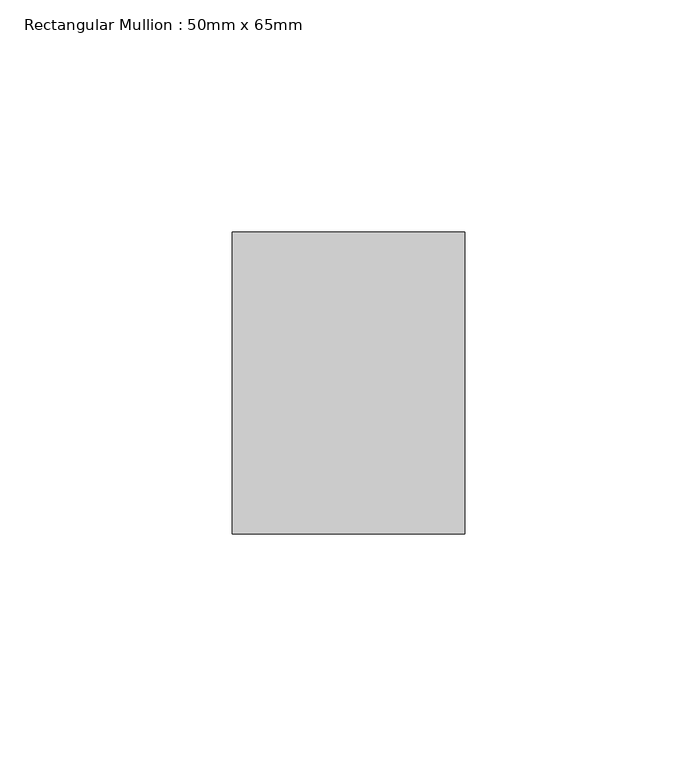
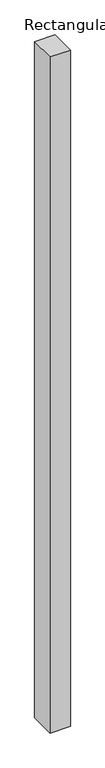
"""IFC4 building model written with IfcOpenShell, lengths in millimetres: member geometry, Rectangular Mullion : 50mm x 65mm."""

import ifcopenshell
import ifcopenshell.guid

model = None  # the IFC model being written
_history = None  # IfcOwnerHistory: only IFC2X3 demands one
_inside = {}  # id of a spatial element -> (the spatial element, [elements in it])
_under = {}  # id of a project, library or spatial element -> (it, [spatial elements below it])
_declared = {}  # id of a project -> (the project, [libraries it declares])
_typed = {}  # id of a type object -> (the type object, [elements of that type])
_made_of = {}  # id of a material, layer set ... -> (it, [elements and type objects made of it])


def new_model(schema):
    """Start an empty IFC model of exactly this schema.

    Asked for "IFC4X3", IfcOpenShell would pick the latest addendum, in which some entities
    have other attributes; the version numbers below select the first issue.
    IFC2X3 requires an IfcOwnerHistory on every rooted entity: one is made here for all.
    """
    global model, _history
    if schema == "IFC4X3":
        model = ifcopenshell.file(schema_version=(4, 3, 0, 0))
    else:
        model = ifcopenshell.file(schema=schema)
    _inside.clear()
    _under.clear()
    _declared.clear()
    _typed.clear()
    _made_of.clear()
    _history = None
    if model.schema == "IFC2X3":
        org = make("IfcOrganization", Name="unknown")
        user = make(
            "IfcPersonAndOrganization",
            ThePerson=make("IfcPerson", FamilyName="unknown"),
            TheOrganization=org,
        )
        app = make(
            "IfcApplication",
            ApplicationDeveloper=org,
            Version="unknown",
            ApplicationFullName="unknown",
            ApplicationIdentifier="unknown",
        )
        _history = make(
            "IfcOwnerHistory",
            OwningUser=user,
            OwningApplication=app,
            ChangeAction="ADDED",
            CreationDate=0,
        )
    return model


def make(cls, **values):
    """One entity of the class cls with the attributes given. An attribute that is None is left unset."""
    return model.create_entity(
        cls, **{name: value for name, value in values.items() if value is not None}
    )


def rooted(cls, **values):
    """An entity with a GlobalId (a new one), such as an element, a storey or a relation."""
    return make(cls, GlobalId=ifcopenshell.guid.new(), OwnerHistory=_history, **values)


def si_unit(unit_type, name, prefix=None):
    """IfcSIUnit, for example si_unit("LENGTHUNIT", "METRE", prefix="MILLI")."""
    return make("IfcSIUnit", UnitType=unit_type, Prefix=prefix, Name=name)


def assignment(units):
    """IfcUnitAssignment: the units of a project."""
    return None if units is None else make("IfcUnitAssignment", Units=units)


def point(xyz):
    """IfcCartesianPoint."""
    return None if xyz is None else make("IfcCartesianPoint", Coordinates=xyz)


def direction(xyz):
    """IfcDirection."""
    return None if xyz is None else make("IfcDirection", DirectionRatios=xyz)


def frame(location, z_axis=None, x_axis=None):
    """IfcAxis2Placement3D, a coordinate frame: its origin and axes. An axis left out is left unset."""
    return make(
        "IfcAxis2Placement3D",
        Location=point(location),
        Axis=direction(z_axis),
        RefDirection=direction(x_axis),
    )


def origin():
    """The frame at (0, 0, 0) with its axes left unset."""
    return frame((0.0, 0.0, 0.0))


def place(relative_to, where):
    """IfcLocalPlacement: puts the frame where relative to a parent placement (None: the world)."""
    return make(
        "IfcLocalPlacement", PlacementRelTo=relative_to, RelativePlacement=where
    )


def context(
    kind, dimensions, precision=None, world=None, true_north=None, identifier=None
):
    """IfcGeometricRepresentationContext, for example the 3D "Model" context."""
    return make(
        "IfcGeometricRepresentationContext",
        ContextIdentifier=identifier,
        ContextType=kind,
        CoordinateSpaceDimension=dimensions,
        Precision=precision,
        WorldCoordinateSystem=world,
        TrueNorth=true_north,
    )


def project(units=None, contexts=None):
    """IfcProject with its units and contexts."""
    return rooted(
        "IfcProject",
        Name="project",
        RepresentationContexts=contexts,
        UnitsInContext=assignment(units),
    )


def spatial(cls, under=None, at=None, **own):
    """A site, building, storey or space (cls), placed at a placement, below another one or the project."""
    s = rooted(cls, ObjectPlacement=at, **own)
    if under is not None:
        _under.setdefault(under.id(), (under, []))[1].append(s)
    return s


def polyline(points):
    """IfcPolyline through the points."""
    return make("IfcPolyline", Points=[point(p) for p in points])


def outline(outer, holes=None, kind="AREA"):
    """IfcArbitraryClosedProfileDef: a profile drawn as a closed curve; with holes, ...WithVoids."""
    if holes is None:
        return make("IfcArbitraryClosedProfileDef", ProfileType=kind, OuterCurve=outer)
    return make(
        "IfcArbitraryProfileDefWithVoids",
        ProfileType=kind,
        OuterCurve=outer,
        InnerCurves=holes,
    )


def extrude(swept, where, along, depth):
    """IfcExtrudedAreaSolid: the profile swept, set in the frame where, extruded along a direction by depth."""
    return make(
        "IfcExtrudedAreaSolid",
        SweptArea=swept,
        Position=where,
        ExtrudedDirection=direction(along),
        Depth=depth,
    )


def shape(context_of_items, identifier, shape_type, items):
    """IfcShapeRepresentation: the items that make up one representation, for example the "Body"."""
    return make(
        "IfcShapeRepresentation",
        ContextOfItems=context_of_items,
        RepresentationIdentifier=identifier,
        RepresentationType=shape_type,
        Items=items,
    )


def source(mapping_origin, context_of_items, identifier, shape_type, items):
    """IfcRepresentationMap: a shape defined once, which mapped items show again and again."""
    return make(
        "IfcRepresentationMap",
        MappingOrigin=mapping_origin,
        MappedRepresentation=shape(context_of_items, identifier, shape_type, items),
    )


def transform(
    local_origin,
    x_axis=None,
    y_axis=None,
    z_axis=None,
    scale=None,
    scale2=None,
    scale3=None,
    uniform=True,
):
    """IfcCartesianTransformationOperator3D, or its non-uniform kind. x_axis, y_axis, z_axis: its Axis1, 2, 3."""
    if uniform:
        return make(
            "IfcCartesianTransformationOperator3D",
            Axis1=direction(x_axis),
            Axis2=direction(y_axis),
            LocalOrigin=point(local_origin),
            Scale=scale,
            Axis3=direction(z_axis),
        )
    return make(
        "IfcCartesianTransformationOperator3DnonUniform",
        Axis1=direction(x_axis),
        Axis2=direction(y_axis),
        LocalOrigin=point(local_origin),
        Scale=scale,
        Axis3=direction(z_axis),
        Scale2=scale2,
        Scale3=scale3,
    )


def mapped(mapping_source, mapping_target):
    """IfcMappedItem: shows the shape of a source again, moved by a transform."""
    return make(
        "IfcMappedItem", MappingSource=mapping_source, MappingTarget=mapping_target
    )


def made_of(thing, what):
    """Note that an element or type object is made of a material, layer set ...; save() writes the relation."""
    if what is not None:
        _made_of.setdefault(what.id(), (what, []))[1].append(thing)
    return thing


def element(
    cls,
    number,
    at=None,
    inside=None,
    cuts=None,
    type_object=None,
    material=None,
    context=None,
    identifier="Body",
    shape_type=None,
    held_by="IfcProductDefinitionShape",
    body=None,
    shapes=None,
    **own,
):
    """One element of the class cls, such as IfcWall. Its Tag is "e" and its number.

    at: its placement. inside: the storey or other place that contains it. cuts: it is an
    opening in that element (IfcRelVoidsElement). A single representation is given by context,
    identifier, shape_type and body (its items); several are given by shapes. held_by: the class
    of the entity that holds the representations. save() writes the other relations.
    """
    e = rooted(cls, Tag="e%d" % number, ObjectPlacement=at, **own)
    if body is not None:
        shapes = [shape(context, identifier, shape_type, body)]
    if shapes is not None:
        e.Representation = make(held_by, Representations=shapes)
    if inside is not None:
        _inside.setdefault(inside.id(), (inside, []))[1].append(e)
    if cuts is not None:
        rooted(
            "IfcRelVoidsElement", RelatingBuildingElement=cuts, RelatedOpeningElement=e
        )
    if type_object is not None:
        _typed.setdefault(type_object.id(), (type_object, []))[1].append(e)
    return made_of(e, material)


def aggregate(whole, parts):
    """IfcRelAggregates: a whole, such as a stair, and the parts it consists of."""
    return rooted("IfcRelAggregates", RelatingObject=whole, RelatedObjects=parts)


def save(model, path):
    """Write the relations noted so far, then the file.

    IfcRelAggregates (storeys below a building ...), IfcRelContainedInSpatialStructure (elements
    in a storey), IfcRelDefinesByType, IfcRelAssociatesMaterial and IfcRelDeclares: one each for
    every whole, place, type object, material and project.
    """
    for whole, parts in _under.values():
        aggregate(whole, parts)
    for where, things in _inside.values():
        rooted(
            "IfcRelContainedInSpatialStructure",
            RelatedElements=things,
            RelatingStructure=where,
        )
    for kind, things in _typed.values():
        rooted("IfcRelDefinesByType", RelatedObjects=things, RelatingType=kind)
    for what, things in _made_of.values():
        rooted("IfcRelAssociatesMaterial", RelatedObjects=things, RelatingMaterial=what)
    for by, libraries in _declared.values():
        rooted("IfcRelDeclares", RelatingContext=by, RelatedDefinitions=libraries)
    model.write(path)


def rectangular_mullion_50mm_x_65mm_29dfa075(model_context):
    return source(origin(), model_context, "Body", "SweptSolid", [
        extrude(outline(polyline([(25.0, 32.5), (25.0, -32.5), (-25.0, -32.5), (-25.0, 32.5), (25.0, 32.5)])), frame((0.0, 0.0, -1754.4950629), z_axis=(0.0, 0.0, 1.0), x_axis=(1.0, 0.0, 0.0)), (0.0, 0.0, 1.0), 1754.4950629),
    ])


if __name__ == "__main__":
    model = new_model("IFC4")
    model_context = context("Model", 3, world=origin())
    ifc_project = project(units=[si_unit("LENGTHUNIT", "METRE", prefix="MILLI")], contexts=[model_context])
    site = spatial("IfcSite", under=ifc_project)
    building = spatial("IfcBuilding", under=site)
    placement = place(None, origin())
    rectangular_mullion_50mm_x_65mm_shape = rectangular_mullion_50mm_x_65mm_29dfa075(model_context)
    element("IfcMember", 1, ObjectType="Rectangular Mullion : 50mm x 65mm", at=placement, inside=building, context=model_context, shape_type="MappedRepresentation", body=[
        mapped(rectangular_mullion_50mm_x_65mm_shape, transform((0.0, 0.0, 0.0), x_axis=(1.0, 0.0, 0.0), y_axis=(0.0, 1.0, 0.0), z_axis=(0.0, 0.0, 1.0))),
    ])
    save(model, "model.ifc")
